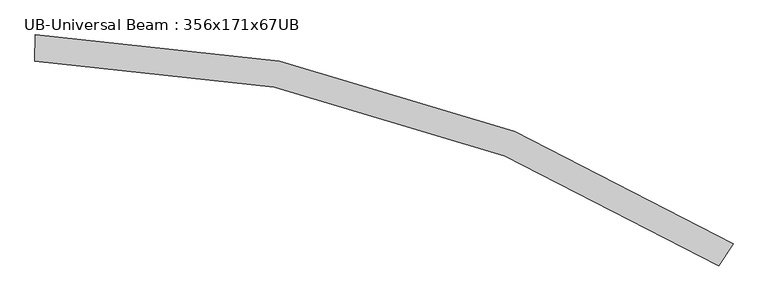
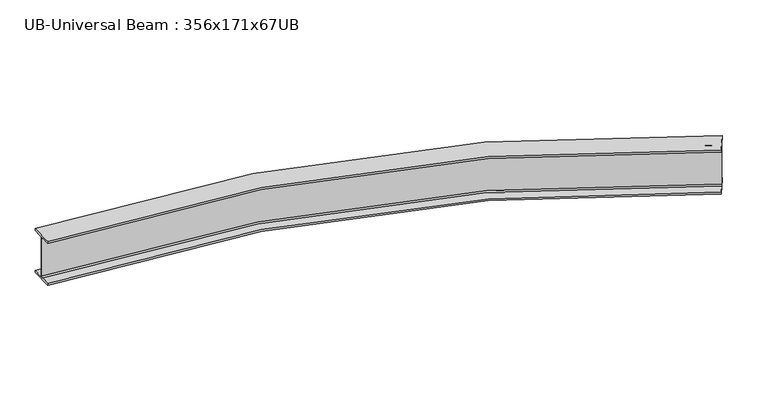
"""IFC4 building model written with IfcOpenShell, lengths in millimetres: beam geometry, UB-Universal Beam : 356x171x67UB."""

import ifcopenshell
import ifcopenshell.guid

model = None  # the IFC model being written
_history = None  # IfcOwnerHistory: only IFC2X3 demands one
_inside = {}  # id of a spatial element -> (the spatial element, [elements in it])
_under = {}  # id of a project, library or spatial element -> (it, [spatial elements below it])
_declared = {}  # id of a project -> (the project, [libraries it declares])
_typed = {}  # id of a type object -> (the type object, [elements of that type])
_made_of = {}  # id of a material, layer set ... -> (it, [elements and type objects made of it])


def new_model(schema):
    """Start an empty IFC model of exactly this schema.

    Asked for "IFC4X3", IfcOpenShell would pick the latest addendum, in which some entities
    have other attributes; the version numbers below select the first issue.
    IFC2X3 requires an IfcOwnerHistory on every rooted entity: one is made here for all.
    """
    global model, _history
    if schema == "IFC4X3":
        model = ifcopenshell.file(schema_version=(4, 3, 0, 0))
    else:
        model = ifcopenshell.file(schema=schema)
    _inside.clear()
    _under.clear()
    _declared.clear()
    _typed.clear()
    _made_of.clear()
    _history = None
    if model.schema == "IFC2X3":
        org = make("IfcOrganization", Name="unknown")
        user = make(
            "IfcPersonAndOrganization",
            ThePerson=make("IfcPerson", FamilyName="unknown"),
            TheOrganization=org,
        )
        app = make(
            "IfcApplication",
            ApplicationDeveloper=org,
            Version="unknown",
            ApplicationFullName="unknown",
            ApplicationIdentifier="unknown",
        )
        _history = make(
            "IfcOwnerHistory",
            OwningUser=user,
            OwningApplication=app,
            ChangeAction="ADDED",
            CreationDate=0,
        )
    return model


def make(cls, **values):
    """One entity of the class cls with the attributes given. An attribute that is None is left unset."""
    return model.create_entity(
        cls, **{name: value for name, value in values.items() if value is not None}
    )


def rooted(cls, **values):
    """An entity with a GlobalId (a new one), such as an element, a storey or a relation."""
    return make(cls, GlobalId=ifcopenshell.guid.new(), OwnerHistory=_history, **values)


def si_unit(unit_type, name, prefix=None):
    """IfcSIUnit, for example si_unit("LENGTHUNIT", "METRE", prefix="MILLI")."""
    return make("IfcSIUnit", UnitType=unit_type, Prefix=prefix, Name=name)


def assignment(units):
    """IfcUnitAssignment: the units of a project."""
    return None if units is None else make("IfcUnitAssignment", Units=units)


def point(xyz):
    """IfcCartesianPoint."""
    return None if xyz is None else make("IfcCartesianPoint", Coordinates=xyz)


def direction(xyz):
    """IfcDirection."""
    return None if xyz is None else make("IfcDirection", DirectionRatios=xyz)


def frame(location, z_axis=None, x_axis=None):
    """IfcAxis2Placement3D, a coordinate frame: its origin and axes. An axis left out is left unset."""
    return make(
        "IfcAxis2Placement3D",
        Location=point(location),
        Axis=direction(z_axis),
        RefDirection=direction(x_axis),
    )


def origin():
    """The frame at (0, 0, 0) with its axes left unset."""
    return frame((0.0, 0.0, 0.0))


def place(relative_to, where):
    """IfcLocalPlacement: puts the frame where relative to a parent placement (None: the world)."""
    return make(
        "IfcLocalPlacement", PlacementRelTo=relative_to, RelativePlacement=where
    )


def context(
    kind, dimensions, precision=None, world=None, true_north=None, identifier=None
):
    """IfcGeometricRepresentationContext, for example the 3D "Model" context."""
    return make(
        "IfcGeometricRepresentationContext",
        ContextIdentifier=identifier,
        ContextType=kind,
        CoordinateSpaceDimension=dimensions,
        Precision=precision,
        WorldCoordinateSystem=world,
        TrueNorth=true_north,
    )


def project(units=None, contexts=None):
    """IfcProject with its units and contexts."""
    return rooted(
        "IfcProject",
        Name="project",
        RepresentationContexts=contexts,
        UnitsInContext=assignment(units),
    )


def spatial(cls, under=None, at=None, **own):
    """A site, building, storey or space (cls), placed at a placement, below another one or the project."""
    s = rooted(cls, ObjectPlacement=at, **own)
    if under is not None:
        _under.setdefault(under.id(), (under, []))[1].append(s)
    return s


def polyline(points):
    """IfcPolyline through the points."""
    return make("IfcPolyline", Points=[point(p) for p in points])


def circle_curve(where, radius):
    """IfcCircle in the frame where."""
    return make("IfcCircle", Position=where, Radius=radius)


def ellipse_curve(where, semi_axis1, semi_axis2):
    """IfcEllipse in the frame where."""
    return make(
        "IfcEllipse", Position=where, SemiAxis1=semi_axis1, SemiAxis2=semi_axis2
    )


def trimmed(basis, trim1, trim2, sense, master):
    """IfcTrimmedCurve: the piece of a basis curve between two trims."""
    return make(
        "IfcTrimmedCurve",
        BasisCurve=basis,
        Trim1=trim1,
        Trim2=trim2,
        SenseAgreement=sense,
        MasterRepresentation=master,
    )


def shape(context_of_items, identifier, shape_type, items):
    """IfcShapeRepresentation: the items that make up one representation, for example the "Body"."""
    return make(
        "IfcShapeRepresentation",
        ContextOfItems=context_of_items,
        RepresentationIdentifier=identifier,
        RepresentationType=shape_type,
        Items=items,
    )


def source(mapping_origin, context_of_items, identifier, shape_type, items):
    """IfcRepresentationMap: a shape defined once, which mapped items show again and again."""
    return make(
        "IfcRepresentationMap",
        MappingOrigin=mapping_origin,
        MappedRepresentation=shape(context_of_items, identifier, shape_type, items),
    )


def transform(
    local_origin,
    x_axis=None,
    y_axis=None,
    z_axis=None,
    scale=None,
    scale2=None,
    scale3=None,
    uniform=True,
):
    """IfcCartesianTransformationOperator3D, or its non-uniform kind. x_axis, y_axis, z_axis: its Axis1, 2, 3."""
    if uniform:
        return make(
            "IfcCartesianTransformationOperator3D",
            Axis1=direction(x_axis),
            Axis2=direction(y_axis),
            LocalOrigin=point(local_origin),
            Scale=scale,
            Axis3=direction(z_axis),
        )
    return make(
        "IfcCartesianTransformationOperator3DnonUniform",
        Axis1=direction(x_axis),
        Axis2=direction(y_axis),
        LocalOrigin=point(local_origin),
        Scale=scale,
        Axis3=direction(z_axis),
        Scale2=scale2,
        Scale3=scale3,
    )


def mapped(mapping_source, mapping_target):
    """IfcMappedItem: shows the shape of a source again, moved by a transform."""
    return make(
        "IfcMappedItem", MappingSource=mapping_source, MappingTarget=mapping_target
    )


def made_of(thing, what):
    """Note that an element or type object is made of a material, layer set ...; save() writes the relation."""
    if what is not None:
        _made_of.setdefault(what.id(), (what, []))[1].append(thing)
    return thing


def element(
    cls,
    number,
    at=None,
    inside=None,
    cuts=None,
    type_object=None,
    material=None,
    context=None,
    identifier="Body",
    shape_type=None,
    held_by="IfcProductDefinitionShape",
    body=None,
    shapes=None,
    **own,
):
    """One element of the class cls, such as IfcWall. Its Tag is "e" and its number.

    at: its placement. inside: the storey or other place that contains it. cuts: it is an
    opening in that element (IfcRelVoidsElement). A single representation is given by context,
    identifier, shape_type and body (its items); several are given by shapes. held_by: the class
    of the entity that holds the representations. save() writes the other relations.
    """
    e = rooted(cls, Tag="e%d" % number, ObjectPlacement=at, **own)
    if body is not None:
        shapes = [shape(context, identifier, shape_type, body)]
    if shapes is not None:
        e.Representation = make(held_by, Representations=shapes)
    if inside is not None:
        _inside.setdefault(inside.id(), (inside, []))[1].append(e)
    if cuts is not None:
        rooted(
            "IfcRelVoidsElement", RelatingBuildingElement=cuts, RelatedOpeningElement=e
        )
    if type_object is not None:
        _typed.setdefault(type_object.id(), (type_object, []))[1].append(e)
    return made_of(e, material)


def aggregate(whole, parts):
    """IfcRelAggregates: a whole, such as a stair, and the parts it consists of."""
    return rooted("IfcRelAggregates", RelatingObject=whole, RelatedObjects=parts)


def save(model, path):
    """Write the relations noted so far, then the file.

    IfcRelAggregates (storeys below a building ...), IfcRelContainedInSpatialStructure (elements
    in a storey), IfcRelDefinesByType, IfcRelAssociatesMaterial and IfcRelDeclares: one each for
    every whole, place, type object, material and project.
    """
    for whole, parts in _under.values():
        aggregate(whole, parts)
    for where, things in _inside.values():
        rooted(
            "IfcRelContainedInSpatialStructure",
            RelatedElements=things,
            RelatingStructure=where,
        )
    for kind, things in _typed.values():
        rooted("IfcRelDefinesByType", RelatedObjects=things, RelatingType=kind)
    for what, things in _made_of.values():
        rooted("IfcRelAssociatesMaterial", RelatedObjects=things, RelatingMaterial=what)
    for by, libraries in _declared.values():
        rooted("IfcRelDeclares", RelatingContext=by, RelatedDefinitions=libraries)
    model.write(path)


def plane_surface(at):
    """IfcPlane: the flat surface through the origin of the frame at, square to its z axis."""
    return make("IfcPlane", Position=at)


def cylinder_surface(at, radius):
    """IfcCylindricalSurface: all points at the distance radius from the z axis of the frame at."""
    return make("IfcCylindricalSurface", Position=at, Radius=radius)


def revolved_surface(curve, axis_point, axis_direction):
    """IfcSurfaceOfRevolution: the curve turned about the line through axis_point along axis_direction."""
    return make(
        "IfcSurfaceOfRevolution",
        SweptCurve=make("IfcArbitraryOpenProfileDef", ProfileType="CURVE", Curve=curve),
        AxisPosition=make("IfcAxis1Placement", Location=point(axis_point), Axis=direction(axis_direction)),
    )


def advanced_brep(points, edges, surfaces, faces):
    """IfcAdvancedBrep: a solid bounded by faces that lie on surfaces and meet in shared edges.

    An edge is (start, end): straight between two places in points (the first is 0);
    or (start, end, curve); or (start, end, curve, False) where it runs against its curve.
    A face is (place in surfaces, loops), or (place, loops, False) where it looks against
    its surface's normal. A loop lists edges by number (the first is 1), with a minus sign
    where the edge is run from its end to its start. The first loop is the outer one.
    """
    corners = [point(p) for p in points]
    vertices = [make("IfcVertexPoint", VertexGeometry=c) for c in corners]
    made = []
    for start, end, *more in edges:
        made.append(
            make(
                "IfcEdgeCurve",
                EdgeStart=vertices[start],
                EdgeEnd=vertices[end],
                EdgeGeometry=more[0] if more else make("IfcPolyline", Points=[corners[start], corners[end]]),
                SameSense=more[1] if len(more) > 1 else True,
            )
        )
    hull = []
    for where, loops, *sense in faces:
        bounds = []
        for j, loop in enumerate(loops):
            ring = [make("IfcOrientedEdge", EdgeElement=made[abs(k) - 1], Orientation=k > 0) for k in loop]
            bounds.append(
                make(
                    "IfcFaceOuterBound" if j == 0 else "IfcFaceBound",
                    Bound=make("IfcEdgeLoop", EdgeList=ring),
                    Orientation=True,
                )
            )
        hull.append(make("IfcAdvancedFace", Bounds=bounds, FaceSurface=surfaces[where], SameSense=sense[0] if sense else True))
    return make("IfcAdvancedBrep", Outer=make("IfcClosedShell", CfsFaces=hull))


def ub_universal_beam_356x171x67ub_655cd450(model_context):
    return source(origin(), model_context, "Body", "AdvancedBrep", [
        advanced_brep(
        [(4722.9776575, -1285.245226, -166.0), (4684.4857666, -1345.9147969, -166.0), (4679.0213645, -1354.5275962, -155.8), (4679.0213645, -1354.5275962, 155.8), (4684.4857666, -1345.9147969, 166.0), (4722.9776575, -1285.245226, 166.0), (4722.9776575, -1285.245226, 181.7), (4630.1899678, -1431.4939342, 181.7), (4630.1899678, -1431.4939342, 166.0), (4668.6818587, -1370.8243633, 166.0), (4674.1462607, -1362.2115641, 155.8), (4674.1462607, -1362.2115641, -155.8), (4668.6818587, -1370.8243633, -166.0), (4630.1899678, -1431.4939342, -166.0), (4630.1899678, -1431.4939342, -181.7), (4722.9776575, -1285.245226, -181.7), (149.5444969, 85.3315636, -166.0), (149.5444969, 85.3315636, -181.7), (146.6065434, -87.8435167, -181.7), (146.6065434, -87.8435167, -166.0), (147.8253192, -16.0038544, -166.0), (147.9983395, -5.8053219, -155.8), (147.9983395, -5.8053219, 155.8), (147.8253192, -16.0038544, 166.0), (146.6065434, -87.8435167, 166.0), (146.6065434, -87.8435167, 181.7), (149.5444969, 85.3315636, 181.7), (149.5444969, 85.3315636, 166.0), (148.3257212, 13.4919012, 166.0), (148.1527008, 3.2933688, 155.8), (148.1527008, 3.2933688, -155.8), (148.3257212, 13.4919012, -166.0)],
        [
            (0, 1),
            (1, 2, circle_curve(frame((4684.4857666, -1345.9147969, -155.8), z_axis=(-0.8443920795326674, 0.5357256910233984, 0.0), x_axis=(-0.5357256910233984, -0.8443920795326674, 0.0)), 10.2)),
            (2, 3),
            (3, 4, circle_curve(frame((4684.4857666, -1345.9147969, 155.8), z_axis=(-0.8443920795326674, 0.5357256910233984, 0.0), x_axis=(-0.5357256910233984, -0.8443920795326674, 0.0)), 10.2)),
            (4, 5),
            (5, 6),
            (6, 7),
            (7, 8),
            (8, 9),
            (9, 10, circle_curve(frame((4668.6818587, -1370.8243633, 155.8), z_axis=(-0.8443920795326674, 0.5357256910233984, 0.0), x_axis=(-0.5357256910233984, -0.8443920795326674, 0.0)), 10.2)),
            (10, 11),
            (11, 12, circle_curve(frame((4668.6818587, -1370.8243633, -155.8), z_axis=(-0.8443920795326674, 0.5357256910233984, 0.0), x_axis=(-0.5357256910233984, -0.8443920795326674, 0.0)), 10.2)),
            (12, 13),
            (13, 14),
            (14, 15),
            (15, 0),
            (16, 17),
            (17, 18),
            (18, 19),
            (19, 20),
            (20, 21, circle_curve(frame((147.8253192, -16.0038544, -155.8), z_axis=(0.9998561217041211, -0.01696277957157749, 0.0), x_axis=(-0.01696277957157749, -0.9998561217041211, 0.0)), 10.2)),
            (21, 22),
            (22, 23, circle_curve(frame((147.8253192, -16.0038544, 155.8), z_axis=(0.9998561217041211, -0.01696277957157749, 0.0), x_axis=(-0.01696277957157749, -0.9998561217041211, 0.0)), 10.2)),
            (23, 24),
            (24, 25),
            (25, 26),
            (26, 27),
            (27, 28),
            (28, 29, circle_curve(frame((148.3257212, 13.4919012, 155.8), z_axis=(0.9998561217041211, -0.01696277957157749, 0.0), x_axis=(-0.01696277957157749, -0.9998561217041211, 0.0)), 10.2)),
            (29, 30),
            (30, 31, circle_curve(frame((148.3257212, 13.4919012, -155.8), z_axis=(0.9998561217041211, -0.01696277957157749, 0.0), x_axis=(-0.01696277957157749, -0.9998561217041211, 0.0)), 10.2)),
            (31, 16),
            (0, 16, circle_curve(frame((0.0, -8729.4372679, -166.0), z_axis=(0.0, 0.0, 1.0), x_axis=(0.9434795714680403, 0.3314306838880239, 0.0)), 8816.0372679)),
            (31, 1, circle_curve(frame((0.0, -8729.4372679, -166.0), z_axis=(0.0, 0.0, -1.0), x_axis=(0.9434795714680403, 0.3314306838880239, 0.0)), 8744.1872679)),
            (30, 2, circle_curve(frame((0.0, -8729.4372679, -155.8), z_axis=(0.0, 0.0, -1.0), x_axis=(0.9434795714680403, 0.3314306838880239, 0.0)), 8733.9872679)),
            (29, 3, circle_curve(frame((0.0, -8729.4372679, 155.8), z_axis=(0.0, 0.0, -1.0), x_axis=(0.9434795714680403, 0.3314306838880239, 0.0)), 8733.9872679)),
            (28, 4, circle_curve(frame((0.0, -8729.4372679, 166.0), z_axis=(0.0, 0.0, -1.0), x_axis=(0.9434795714680403, 0.3314306838880239, 0.0)), 8744.1872679)),
            (27, 5, circle_curve(frame((0.0, -8729.4372679, 166.0), z_axis=(0.0, 0.0, -1.0), x_axis=(0.9434795714680403, 0.3314306838880239, 0.0)), 8816.0372679)),
            (26, 6, circle_curve(frame((0.0, -8729.4372679, 181.7), z_axis=(0.0, 0.0, -1.0), x_axis=(0.9434795714680403, 0.3314306838880239, 0.0)), 8816.0372679)),
            (25, 7, circle_curve(frame((0.0, -8729.4372679, 181.7), z_axis=(0.0, 0.0, -1.0), x_axis=(0.9434795714680403, 0.3314306838880239, 0.0)), 8642.8372679)),
            (24, 8, circle_curve(frame((0.0, -8729.4372679, 166.0), z_axis=(0.0, 0.0, -1.0), x_axis=(0.9434795714680403, 0.3314306838880239, 0.0)), 8642.8372679)),
            (23, 9, circle_curve(frame((0.0, -8729.4372679, 166.0), z_axis=(0.0, 0.0, -1.0), x_axis=(0.9434795714680403, 0.3314306838880239, 0.0)), 8714.6872679)),
            (22, 10, circle_curve(frame((0.0, -8729.4372679, 155.8), z_axis=(0.0, 0.0, -1.0), x_axis=(0.9434795714680403, 0.3314306838880239, 0.0)), 8724.8872679)),
            (21, 11, circle_curve(frame((0.0, -8729.4372679, -155.8), z_axis=(0.0, 0.0, -1.0), x_axis=(0.9434795714680403, 0.3314306838880239, 0.0)), 8724.8872679)),
            (20, 12, circle_curve(frame((0.0, -8729.4372679, -166.0), z_axis=(0.0, 0.0, -1.0), x_axis=(0.9434795714680403, 0.3314306838880239, 0.0)), 8714.6872679)),
            (19, 13, circle_curve(frame((0.0, -8729.4372679, -166.0), z_axis=(0.0, 0.0, -1.0), x_axis=(0.9434795714680403, 0.3314306838880239, 0.0)), 8642.8372679)),
            (18, 14, circle_curve(frame((0.0, -8729.4372679, -181.7), z_axis=(0.0, 0.0, -1.0), x_axis=(0.9434795714680403, 0.3314306838880239, 0.0)), 8642.8372679)),
            (17, 15, circle_curve(frame((0.0, -8729.4372679, -181.7), z_axis=(0.0, 0.0, -1.0), x_axis=(0.9434795714680403, 0.3314306838880239, 0.0)), 8816.0372679)),
        ],
        [
            plane_surface(frame((4676.5838126, -1358.3695801, 0.0), z_axis=(0.844392079532664, -0.5357256910234035, 0.0), x_axis=(0.0, 0.0, 1.0))),
            plane_surface(frame((148.0755202, -1.2559766, 0.0), z_axis=(-0.999856121704121, 0.016962779571583597, 0.0), x_axis=(0.0, 0.0, 1.0))),
            plane_surface(frame((0.0, -8729.4372679, -166.0), z_axis=(0.0, 0.0, 1.0000000000000002), x_axis=(0.9434795714680403, 0.3314306838880239, 0.0))),
            revolved_surface(trimmed(ellipse_curve(frame((8249.9620564, -5831.3453017, -155.8), z_axis=(0.3314306838880238, -0.9434795714680403, 0.0), x_axis=(-0.9434795714680403, -0.3314306838880238, 0.0)), 10.2, 10.2), [point((8240.3385648, -5834.7258947, -155.8))], [point((8249.9620564, -5831.3453017, -166.0))], True, "CARTESIAN"), (0.0, -8729.4372679, 0.0), (0.0, 0.0, -1.0000000000000002)),
            cylinder_surface(frame((0.0, -8729.4372679, 0.0), z_axis=(0.0, 0.0, -1.0000000000000002), x_axis=(0.9434795714680403, 0.3314306838880239, 0.0)), 8733.9872679),
            revolved_surface(trimmed(ellipse_curve(frame((8249.9620564, -5831.3453017, 155.8), z_axis=(0.3314306838880238, -0.9434795714680403, 0.0), x_axis=(-0.9434795714680403, -0.3314306838880238, 0.0)), 10.2, 10.2), [point((8249.9620564, -5831.3453017, 166.0))], [point((8240.3385648, -5834.7258947, 155.8))], True, "CARTESIAN"), (0.0, -8729.4372679, 0.0), (0.0, 0.0, -1.0000000000000002)),
            plane_surface(frame((0.0, -8729.4372679, 166.0), z_axis=(0.0, 0.0, -1.0000000000000002), x_axis=(0.9434795714680403, 0.3314306838880239, 0.0))),
            cylinder_surface(frame((0.0, -8729.4372679, 0.0), z_axis=(0.0, 0.0, -1.0000000000000002), x_axis=(0.9434795714680403, 0.3314306838880239, 0.0)), 8816.0372679),
            plane_surface(frame((0.0, -8729.4372679, 181.7), z_axis=(0.0, 0.0, 1.0000000000000002), x_axis=(0.9434795714680403, 0.3314306838880239, 0.0))),
            revolved_surface(polyline([(8154.3404017863, -5864.935801467003, 166.00000000000006), (8154.3404017863, -5864.935801467003, 181.70000000000005)]), (0.0, -8729.4372679, 0.0), (0.0, 0.0, -1.0000000000000002)),
            revolved_surface(trimmed(ellipse_curve(frame((8222.129409, -5841.1225069, 155.8), z_axis=(0.3314306838880238, -0.9434795714680403, 0.0), x_axis=(-0.9434795714680403, -0.3314306838880238, 0.0)), 10.2, 10.2), [point((8231.7529007, -5837.7419139, 155.8))], [point((8222.129409, -5841.1225069, 166.0))], True, "CARTESIAN"), (0.0, -8729.4372679, 0.0), (0.0, 0.0, -1.0000000000000002)),
            revolved_surface(polyline([(8231.752900625252, -5837.741913853992, -155.80000000000007), (8231.752900625252, -5837.741913853992, 155.80000000000007)]), (0.0, -8729.4372679, 0.0), (0.0, 0.0, -1.0000000000000002)),
            revolved_surface(trimmed(ellipse_curve(frame((8222.129409, -5841.1225069, -155.8), z_axis=(0.3314306838880238, -0.9434795714680403, 0.0), x_axis=(-0.9434795714680403, -0.3314306838880238, 0.0)), 10.2, 10.2), [point((8222.129409, -5841.1225069, -166.0))], [point((8231.7529007, -5837.7419139, -155.8))], True, "CARTESIAN"), (0.0, -8729.4372679, 0.0), (0.0, 0.0, -1.0000000000000002)),
            revolved_surface(polyline([(8154.3404017863, -5864.935801467003, -181.70000000000005), (8154.3404017863, -5864.935801467003, -166.00000000000006)]), (0.0, -8729.4372679, 0.0), (0.0, 0.0, -1.0000000000000002)),
            plane_surface(frame((0.0, -8729.4372679, -181.7), z_axis=(0.0, 0.0, -1.0000000000000002), x_axis=(0.9434795714680403, 0.3314306838880239, 0.0))),
        ],
        [
            (0, [[1, 2, 3, 4, 5, 6, 7, 8, 9, 10, 11, 12, 13, 14, 15, 16]]),
            (1, [[17, 18, 19, 20, 21, 22, 23, 24, 25, 26, 27, 28, 29, 30, 31, 32]]),
            (2, [[-1, 33, -32, 34]]),
            (3, [[-2, -34, -31, 35]]),
            (4, [[-3, -35, -30, 36]]),
            (5, [[-4, -36, -29, 37]]),
            (6, [[-5, -37, -28, 38]]),
            (7, [[-6, -38, -27, 39]]),
            (8, [[-7, -39, -26, 40]]),
            (9, [[-8, -40, -25, 41]]),
            (6, [[-9, -41, -24, 42]]),
            (10, [[-10, -42, -23, 43]]),
            (11, [[-11, -43, -22, 44]]),
            (12, [[-12, -44, -21, 45]]),
            (2, [[-13, -45, -20, 46]]),
            (13, [[-14, -46, -19, 47]]),
            (14, [[-15, -47, -18, 48]]),
            (7, [[-16, -48, -17, -33]]),
        ],
    ),
    ])


if __name__ == "__main__":
    model = new_model("IFC4")
    model_context = context("Model", 3, world=origin())
    ifc_project = project(units=[si_unit("LENGTHUNIT", "METRE", prefix="MILLI")], contexts=[model_context])
    site = spatial("IfcSite", under=ifc_project)
    building = spatial("IfcBuilding", under=site)
    placement = place(None, origin())
    ub_universal_beam_356x171x67ub_shape = ub_universal_beam_356x171x67ub_655cd450(model_context)
    element("IfcBeam", 1, ObjectType="UB-Universal Beam : 356x171x67UB", at=placement, inside=building, context=model_context, shape_type="MappedRepresentation", body=[
        mapped(ub_universal_beam_356x171x67ub_shape, transform((0.0, 0.0, 0.0), x_axis=(1.0, 0.0, 0.0), y_axis=(0.0, 1.0, 0.0), z_axis=(0.0, 0.0, 1.0))),
    ])
    save(model, "model.ifc")
